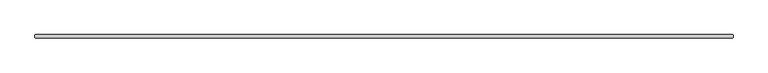
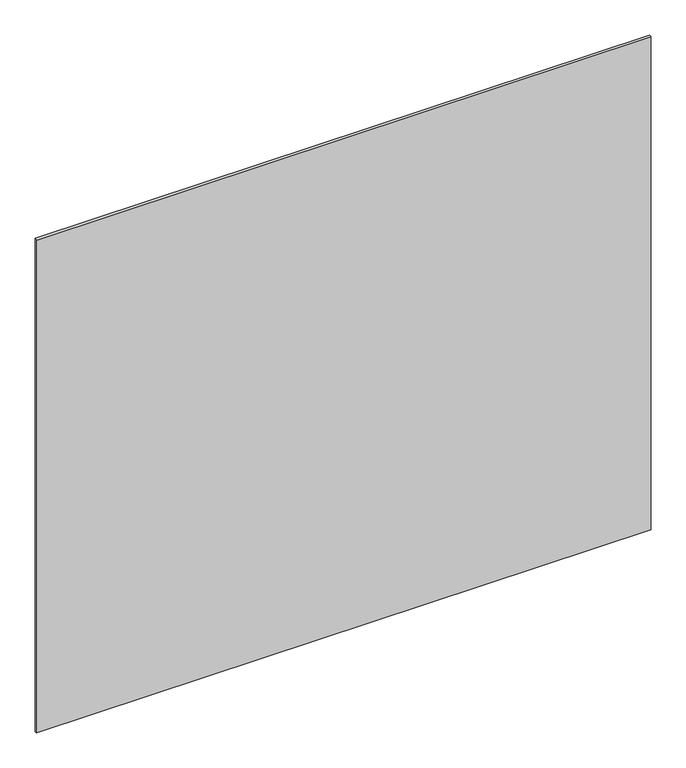
"""IFC4 building model written with IfcOpenShell, lengths in millimetres: plate geometry."""

from ifc_helpers import new_model, si_unit, origin, origin_with_axes, place, context, project, spatial, polyline, outline, extrude, source, transform, mapped, element, save


def plate_1053bccf(model_context):
    return source(origin(), model_context, "Body", "SweptSolid", [
        extrude(outline(polyline([(1430.3375, -6.35), (-1430.3375, -6.35), (-1431.925, -4.7625), (-1431.925, 4.7625), (-1430.3375, 6.35), (1430.3375, 6.35), (1431.925, 4.7625), (1431.925, -4.7625), (1430.3375, -6.35)])), origin_with_axes(), (0.0, 0.0, 1.0), 2427.1914267),
    ])


if __name__ == "__main__":
    model = new_model("IFC4")
    model_context = context("Model", 3, world=origin())
    ifc_project = project(units=[si_unit("LENGTHUNIT", "METRE", prefix="MILLI")], contexts=[model_context])
    site = spatial("IfcSite", under=ifc_project)
    building = spatial("IfcBuilding", under=site)
    placement = place(None, origin())
    plate_shape = plate_1053bccf(model_context)
    element("IfcPlate", 1, at=placement, inside=building, context=model_context, shape_type="MappedRepresentation", body=[
        mapped(plate_shape, transform((0.0, 0.0, 0.0), x_axis=(1.0, 0.0, 0.0), y_axis=(0.0, 1.0, 0.0), z_axis=(0.0, 0.0, 1.0))),
    ])
    save(model, "model.ifc")
